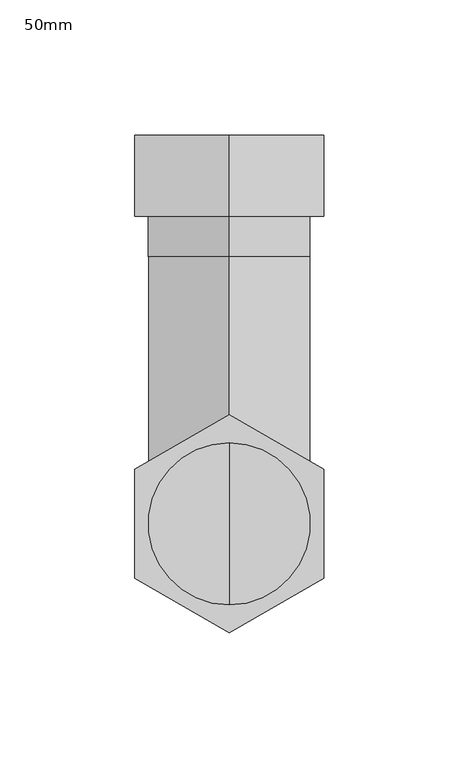
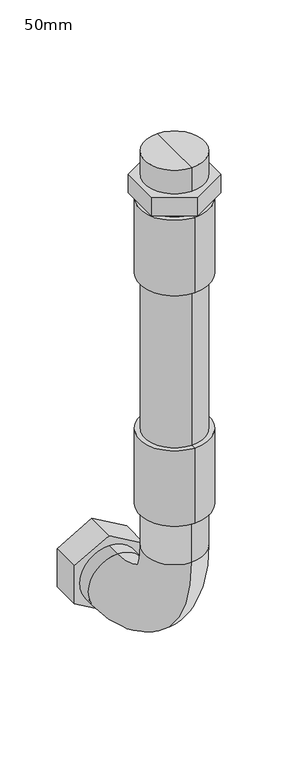
"""IFC4 building model written with IfcOpenShell, lengths in millimetres: proxy geometry, 50mm."""

import ifcopenshell
import ifcopenshell.guid

model = None  # the IFC model being written
_history = None  # IfcOwnerHistory: only IFC2X3 demands one
_inside = {}  # id of a spatial element -> (the spatial element, [elements in it])
_under = {}  # id of a project, library or spatial element -> (it, [spatial elements below it])
_declared = {}  # id of a project -> (the project, [libraries it declares])
_typed = {}  # id of a type object -> (the type object, [elements of that type])
_made_of = {}  # id of a material, layer set ... -> (it, [elements and type objects made of it])


def new_model(schema):
    """Start an empty IFC model of exactly this schema.

    Asked for "IFC4X3", IfcOpenShell would pick the latest addendum, in which some entities
    have other attributes; the version numbers below select the first issue.
    IFC2X3 requires an IfcOwnerHistory on every rooted entity: one is made here for all.
    """
    global model, _history
    if schema == "IFC4X3":
        model = ifcopenshell.file(schema_version=(4, 3, 0, 0))
    else:
        model = ifcopenshell.file(schema=schema)
    _inside.clear()
    _under.clear()
    _declared.clear()
    _typed.clear()
    _made_of.clear()
    _history = None
    if model.schema == "IFC2X3":
        org = make("IfcOrganization", Name="unknown")
        user = make(
            "IfcPersonAndOrganization",
            ThePerson=make("IfcPerson", FamilyName="unknown"),
            TheOrganization=org,
        )
        app = make(
            "IfcApplication",
            ApplicationDeveloper=org,
            Version="unknown",
            ApplicationFullName="unknown",
            ApplicationIdentifier="unknown",
        )
        _history = make(
            "IfcOwnerHistory",
            OwningUser=user,
            OwningApplication=app,
            ChangeAction="ADDED",
            CreationDate=0,
        )
    return model


def make(cls, **values):
    """One entity of the class cls with the attributes given. An attribute that is None is left unset."""
    return model.create_entity(
        cls, **{name: value for name, value in values.items() if value is not None}
    )


def rooted(cls, **values):
    """An entity with a GlobalId (a new one), such as an element, a storey or a relation."""
    return make(cls, GlobalId=ifcopenshell.guid.new(), OwnerHistory=_history, **values)


def si_unit(unit_type, name, prefix=None):
    """IfcSIUnit, for example si_unit("LENGTHUNIT", "METRE", prefix="MILLI")."""
    return make("IfcSIUnit", UnitType=unit_type, Prefix=prefix, Name=name)


def assignment(units):
    """IfcUnitAssignment: the units of a project."""
    return None if units is None else make("IfcUnitAssignment", Units=units)


def point(xyz):
    """IfcCartesianPoint."""
    return None if xyz is None else make("IfcCartesianPoint", Coordinates=xyz)


def direction(xyz):
    """IfcDirection."""
    return None if xyz is None else make("IfcDirection", DirectionRatios=xyz)


def frame(location, z_axis=None, x_axis=None):
    """IfcAxis2Placement3D, a coordinate frame: its origin and axes. An axis left out is left unset."""
    return make(
        "IfcAxis2Placement3D",
        Location=point(location),
        Axis=direction(z_axis),
        RefDirection=direction(x_axis),
    )


def origin():
    """The frame at (0, 0, 0) with its axes left unset."""
    return frame((0.0, 0.0, 0.0))


def place(relative_to, where):
    """IfcLocalPlacement: puts the frame where relative to a parent placement (None: the world)."""
    return make(
        "IfcLocalPlacement", PlacementRelTo=relative_to, RelativePlacement=where
    )


def context(
    kind, dimensions, precision=None, world=None, true_north=None, identifier=None
):
    """IfcGeometricRepresentationContext, for example the 3D "Model" context."""
    return make(
        "IfcGeometricRepresentationContext",
        ContextIdentifier=identifier,
        ContextType=kind,
        CoordinateSpaceDimension=dimensions,
        Precision=precision,
        WorldCoordinateSystem=world,
        TrueNorth=true_north,
    )


def project(units=None, contexts=None):
    """IfcProject with its units and contexts."""
    return rooted(
        "IfcProject",
        Name="project",
        RepresentationContexts=contexts,
        UnitsInContext=assignment(units),
    )


def spatial(cls, under=None, at=None, **own):
    """A site, building, storey or space (cls), placed at a placement, below another one or the project."""
    s = rooted(cls, ObjectPlacement=at, **own)
    if under is not None:
        _under.setdefault(under.id(), (under, []))[1].append(s)
    return s


def polyline(points):
    """IfcPolyline through the points."""
    return make("IfcPolyline", Points=[point(p) for p in points])


def circle_curve(where, radius):
    """IfcCircle in the frame where."""
    return make("IfcCircle", Position=where, Radius=radius)


def ellipse_curve(where, semi_axis1, semi_axis2):
    """IfcEllipse in the frame where."""
    return make(
        "IfcEllipse", Position=where, SemiAxis1=semi_axis1, SemiAxis2=semi_axis2
    )


def trimmed(basis, trim1, trim2, sense, master):
    """IfcTrimmedCurve: the piece of a basis curve between two trims."""
    return make(
        "IfcTrimmedCurve",
        BasisCurve=basis,
        Trim1=trim1,
        Trim2=trim2,
        SenseAgreement=sense,
        MasterRepresentation=master,
    )


def outline(outer, holes=None, kind="AREA"):
    """IfcArbitraryClosedProfileDef: a profile drawn as a closed curve; with holes, ...WithVoids."""
    if holes is None:
        return make("IfcArbitraryClosedProfileDef", ProfileType=kind, OuterCurve=outer)
    return make(
        "IfcArbitraryProfileDefWithVoids",
        ProfileType=kind,
        OuterCurve=outer,
        InnerCurves=holes,
    )


def extrude(swept, where, along, depth):
    """IfcExtrudedAreaSolid: the profile swept, set in the frame where, extruded along a direction by depth."""
    return make(
        "IfcExtrudedAreaSolid",
        SweptArea=swept,
        Position=where,
        ExtrudedDirection=direction(along),
        Depth=depth,
    )


def shape(context_of_items, identifier, shape_type, items):
    """IfcShapeRepresentation: the items that make up one representation, for example the "Body"."""
    return make(
        "IfcShapeRepresentation",
        ContextOfItems=context_of_items,
        RepresentationIdentifier=identifier,
        RepresentationType=shape_type,
        Items=items,
    )


def source(mapping_origin, context_of_items, identifier, shape_type, items):
    """IfcRepresentationMap: a shape defined once, which mapped items show again and again."""
    return make(
        "IfcRepresentationMap",
        MappingOrigin=mapping_origin,
        MappedRepresentation=shape(context_of_items, identifier, shape_type, items),
    )


def transform(
    local_origin,
    x_axis=None,
    y_axis=None,
    z_axis=None,
    scale=None,
    scale2=None,
    scale3=None,
    uniform=True,
):
    """IfcCartesianTransformationOperator3D, or its non-uniform kind. x_axis, y_axis, z_axis: its Axis1, 2, 3."""
    if uniform:
        return make(
            "IfcCartesianTransformationOperator3D",
            Axis1=direction(x_axis),
            Axis2=direction(y_axis),
            LocalOrigin=point(local_origin),
            Scale=scale,
            Axis3=direction(z_axis),
        )
    return make(
        "IfcCartesianTransformationOperator3DnonUniform",
        Axis1=direction(x_axis),
        Axis2=direction(y_axis),
        LocalOrigin=point(local_origin),
        Scale=scale,
        Axis3=direction(z_axis),
        Scale2=scale2,
        Scale3=scale3,
    )


def mapped(mapping_source, mapping_target):
    """IfcMappedItem: shows the shape of a source again, moved by a transform."""
    return make(
        "IfcMappedItem", MappingSource=mapping_source, MappingTarget=mapping_target
    )


def made_of(thing, what):
    """Note that an element or type object is made of a material, layer set ...; save() writes the relation."""
    if what is not None:
        _made_of.setdefault(what.id(), (what, []))[1].append(thing)
    return thing


def element(
    cls,
    number,
    at=None,
    inside=None,
    cuts=None,
    type_object=None,
    material=None,
    context=None,
    identifier="Body",
    shape_type=None,
    held_by="IfcProductDefinitionShape",
    body=None,
    shapes=None,
    **own,
):
    """One element of the class cls, such as IfcWall. Its Tag is "e" and its number.

    at: its placement. inside: the storey or other place that contains it. cuts: it is an
    opening in that element (IfcRelVoidsElement). A single representation is given by context,
    identifier, shape_type and body (its items); several are given by shapes. held_by: the class
    of the entity that holds the representations. save() writes the other relations.
    """
    e = rooted(cls, Tag="e%d" % number, ObjectPlacement=at, **own)
    if body is not None:
        shapes = [shape(context, identifier, shape_type, body)]
    if shapes is not None:
        e.Representation = make(held_by, Representations=shapes)
    if inside is not None:
        _inside.setdefault(inside.id(), (inside, []))[1].append(e)
    if cuts is not None:
        rooted(
            "IfcRelVoidsElement", RelatingBuildingElement=cuts, RelatedOpeningElement=e
        )
    if type_object is not None:
        _typed.setdefault(type_object.id(), (type_object, []))[1].append(e)
    return made_of(e, material)


def aggregate(whole, parts):
    """IfcRelAggregates: a whole, such as a stair, and the parts it consists of."""
    return rooted("IfcRelAggregates", RelatingObject=whole, RelatedObjects=parts)


def save(model, path):
    """Write the relations noted so far, then the file.

    IfcRelAggregates (storeys below a building ...), IfcRelContainedInSpatialStructure (elements
    in a storey), IfcRelDefinesByType, IfcRelAssociatesMaterial and IfcRelDeclares: one each for
    every whole, place, type object, material and project.
    """
    for whole, parts in _under.values():
        aggregate(whole, parts)
    for where, things in _inside.values():
        rooted(
            "IfcRelContainedInSpatialStructure",
            RelatedElements=things,
            RelatingStructure=where,
        )
    for kind, things in _typed.values():
        rooted("IfcRelDefinesByType", RelatedObjects=things, RelatingType=kind)
    for what, things in _made_of.values():
        rooted("IfcRelAssociatesMaterial", RelatedObjects=things, RelatingMaterial=what)
    for by, libraries in _declared.values():
        rooted("IfcRelDeclares", RelatingContext=by, RelatedDefinitions=libraries)
    model.write(path)


def plane_surface(at):
    """IfcPlane: the flat surface through the origin of the frame at, square to its z axis."""
    return make("IfcPlane", Position=at)


def cylinder_surface(at, radius):
    """IfcCylindricalSurface: all points at the distance radius from the z axis of the frame at."""
    return make("IfcCylindricalSurface", Position=at, Radius=radius)


def revolved_surface(curve, axis_point, axis_direction):
    """IfcSurfaceOfRevolution: the curve turned about the line through axis_point along axis_direction."""
    return make(
        "IfcSurfaceOfRevolution",
        SweptCurve=make("IfcArbitraryOpenProfileDef", ProfileType="CURVE", Curve=curve),
        AxisPosition=make("IfcAxis1Placement", Location=point(axis_point), Axis=direction(axis_direction)),
    )


def advanced_brep(points, edges, surfaces, faces):
    """IfcAdvancedBrep: a solid bounded by faces that lie on surfaces and meet in shared edges.

    An edge is (start, end): straight between two places in points (the first is 0);
    or (start, end, curve); or (start, end, curve, False) where it runs against its curve.
    A face is (place in surfaces, loops), or (place, loops, False) where it looks against
    its surface's normal. A loop lists edges by number (the first is 1), with a minus sign
    where the edge is run from its end to its start. The first loop is the outer one.
    """
    corners = [point(p) for p in points]
    vertices = [make("IfcVertexPoint", VertexGeometry=c) for c in corners]
    made = []
    for start, end, *more in edges:
        made.append(
            make(
                "IfcEdgeCurve",
                EdgeStart=vertices[start],
                EdgeEnd=vertices[end],
                EdgeGeometry=more[0] if more else make("IfcPolyline", Points=[corners[start], corners[end]]),
                SameSense=more[1] if len(more) > 1 else True,
            )
        )
    hull = []
    for where, loops, *sense in faces:
        bounds = []
        for j, loop in enumerate(loops):
            ring = [make("IfcOrientedEdge", EdgeElement=made[abs(k) - 1], Orientation=k > 0) for k in loop]
            bounds.append(
                make(
                    "IfcFaceOuterBound" if j == 0 else "IfcFaceBound",
                    Bound=make("IfcEdgeLoop", EdgeList=ring),
                    Orientation=True,
                )
            )
        hull.append(make("IfcAdvancedFace", Bounds=bounds, FaceSurface=surfaces[where], SameSense=sense[0] if sense else True))
    return make("IfcAdvancedBrep", Outer=make("IfcClosedShell", CfsFaces=hull))


def proxy_50mm_9fd1430d(model_context):
    return source(origin(), model_context, "Body", "SolidModel", [
        advanced_brep(
        [(0.0, -124.2, 390.0), (0.0, -94.2, 390.0), (0.0, -154.2, 390.0), (0.0, -154.2, 224.2), (0.0, -94.2, 224.2), (0.0, -124.2, 224.2)],
        [
            (0, 1),
            (1, 2, circle_curve(frame((0.0, -124.2, 390.0), z_axis=(0.0, 0.0, 1.0), x_axis=(0.0, 1.0, 0.0)), 30.0)),
            (2, 0),
            (2, 1, circle_curve(frame((0.0, -124.2, 390.0), z_axis=(0.0, 0.0, 1.0), x_axis=(0.0, 1.0, 0.0)), 30.0)),
            (3, 4, circle_curve(frame((0.0, -124.2, 224.2), z_axis=(0.0, 0.0, -1.0), x_axis=(0.0, 1.0, 0.0)), 30.0)),
            (4, 5),
            (5, 3),
            (4, 3, circle_curve(frame((0.0, -124.2, 224.2), z_axis=(0.0, 0.0, -1.0), x_axis=(0.0, 1.0, 0.0)), 30.0)),
            (1, 4),
            (3, 2),
        ],
        [
            plane_surface(frame((0.0, -124.2, 390.0), z_axis=(0.0, 0.0, 1.0), x_axis=(0.0, 1.0, 0.0))),
            plane_surface(frame((0.0, -124.2, 224.2), z_axis=(0.0, 0.0, -1.0), x_axis=(0.0, 1.0, 0.0))),
            cylinder_surface(frame((0.0, -124.2, -100.4854631), z_axis=(0.0, 0.0, 1.0), x_axis=(0.0, 1.0, 0.0)), 30.0),
        ],
        [
            (0, [[1, 2, 3]]),
            (0, [[-3, 4, -1]]),
            (1, [[5, 6, 7]]),
            (1, [[8, -7, -6]]),
            (2, [[-2, 9, -5, 10]]),
            (2, [[-4, -10, -8, -9]]),
        ],
    ),
        advanced_brep(
        [(0.0, -159.2, 390.0), (0.0, -89.2, 390.0), (0.0, -124.2, 390.0), (0.0, -159.2, 470.0), (0.0, -89.2, 470.0), (0.0, -124.2, 470.0)],
        [
            (0, 1, circle_curve(frame((0.0, -124.2, 390.0), z_axis=(0.0, 0.0, -1.0), x_axis=(0.0, 1.0, 0.0)), 35.0)),
            (1, 2),
            (2, 0),
            (1, 0, circle_curve(frame((0.0, -124.2, 390.0), z_axis=(0.0, 0.0, -1.0), x_axis=(0.0, 1.0, 0.0)), 35.0)),
            (3, 4, circle_curve(frame((0.0, -124.2, 470.0), z_axis=(0.0, 0.0, -1.0), x_axis=(0.0, 1.0, 0.0)), 35.0)),
            (4, 1),
            (0, 3),
            (4, 3, circle_curve(frame((0.0, -124.2, 470.0), z_axis=(0.0, 0.0, -1.0), x_axis=(0.0, 1.0, 0.0)), 35.0)),
            (5, 4),
            (3, 5),
        ],
        [
            plane_surface(frame((0.0, -124.2, 390.0), z_axis=(0.0, 0.0, -1.0), x_axis=(0.0, 1.0, 0.0))),
            cylinder_surface(frame((0.0, -124.2, -100.4854631), z_axis=(0.0, 0.0, 1.0), x_axis=(0.0, 1.0, 0.0)), 35.0),
            plane_surface(frame((0.0, -124.2, 470.0), z_axis=(0.0, 0.0, 1.0), x_axis=(0.0, 1.0, 0.0))),
        ],
        [
            (0, [[1, 2, 3]]),
            (0, [[4, -3, -2]]),
            (1, [[5, 6, -1, 7]]),
            (1, [[8, -7, -4, -6]]),
            (2, [[9, -5, 10]]),
            (2, [[-10, -8, -9]]),
        ],
    ),
        advanced_brep(
        [(0.0, -124.2, 224.2), (0.0, -89.2, 224.2), (0.0, -159.2, 224.2), (0.0, -159.2, 144.2), (0.0, -89.2, 144.2), (0.0, -124.2, 144.2)],
        [
            (0, 1),
            (1, 2, circle_curve(frame((0.0, -124.2, 224.2), z_axis=(0.0, 0.0, 1.0), x_axis=(0.0, 1.0, 0.0)), 35.0)),
            (2, 0),
            (2, 1, circle_curve(frame((0.0, -124.2, 224.2), z_axis=(0.0, 0.0, 1.0), x_axis=(0.0, 1.0, 0.0)), 35.0)),
            (3, 4, circle_curve(frame((0.0, -124.2, 144.2), z_axis=(0.0, 0.0, -1.0), x_axis=(0.0, 1.0, 0.0)), 35.0)),
            (4, 5),
            (5, 3),
            (4, 3, circle_curve(frame((0.0, -124.2, 144.2), z_axis=(0.0, 0.0, -1.0), x_axis=(0.0, 1.0, 0.0)), 35.0)),
            (1, 4),
            (3, 2),
        ],
        [
            plane_surface(frame((0.0, -124.2, 224.2), z_axis=(0.0, 0.0, 1.0), x_axis=(0.0, 1.0, 0.0))),
            plane_surface(frame((0.0, -124.2, 144.2), z_axis=(0.0, 0.0, -1.0), x_axis=(0.0, 1.0, 0.0))),
            cylinder_surface(frame((0.0, -124.2, -100.4854631), z_axis=(0.0, 0.0, 1.0), x_axis=(0.0, 1.0, 0.0)), 35.0),
        ],
        [
            (0, [[1, 2, 3]]),
            (0, [[-3, 4, -1]]),
            (1, [[5, 6, 7]]),
            (1, [[8, -7, -6]]),
            (2, [[-2, 9, -5, 10]]),
            (2, [[-4, -10, -8, -9]]),
        ],
    ),
        advanced_brep(
        [(0.0, -124.2, 520.0), (0.0, -94.2, 520.0), (0.0, -154.2, 520.0), (0.0, -154.2, 495.0), (0.0, -94.2, 495.0), (0.0, -124.2, 495.0)],
        [
            (0, 1),
            (1, 2, circle_curve(frame((0.0, -124.2, 520.0), z_axis=(0.0, 0.0, 1.0), x_axis=(0.0, 1.0, 0.0)), 30.0)),
            (2, 0),
            (2, 1, circle_curve(frame((0.0, -124.2, 520.0), z_axis=(0.0, 0.0, 1.0), x_axis=(0.0, 1.0, 0.0)), 30.0)),
            (3, 4, circle_curve(frame((0.0, -124.2, 495.0), z_axis=(0.0, 0.0, -1.0), x_axis=(0.0, 1.0, 0.0)), 30.0)),
            (4, 5),
            (5, 3),
            (4, 3, circle_curve(frame((0.0, -124.2, 495.0), z_axis=(0.0, 0.0, -1.0), x_axis=(0.0, 1.0, 0.0)), 30.0)),
            (1, 4),
            (3, 2),
        ],
        [
            plane_surface(frame((0.0, -124.2, 520.0), z_axis=(0.0, 0.0, 1.0), x_axis=(0.0, 1.0, 0.0))),
            plane_surface(frame((0.0, -124.2, 495.0), z_axis=(0.0, 0.0, -1.0), x_axis=(0.0, 1.0, 0.0))),
            cylinder_surface(frame((0.0, -124.2, -100.4854631), z_axis=(0.0, 0.0, 1.0), x_axis=(0.0, 1.0, 0.0)), 30.0),
        ],
        [
            (0, [[1, 2, 3]]),
            (0, [[-3, 4, -1]]),
            (1, [[5, 6, 7]]),
            (1, [[8, -7, -6]]),
            (2, [[-2, 9, -5, 10]]),
            (2, [[-4, -10, -8, -9]]),
        ],
    ),
        advanced_brep(
        [(0.0, -154.2, 470.0), (0.0, -94.2, 470.0), (0.0, -124.2, 470.0), (0.0, -154.2, 475.0), (0.0, -94.2, 475.0), (0.0, -124.2, 475.0)],
        [
            (0, 1, circle_curve(frame((0.0, -124.2, 470.0), z_axis=(0.0, 0.0, -1.0), x_axis=(0.0, 1.0, 0.0)), 30.0)),
            (1, 2),
            (2, 0),
            (1, 0, circle_curve(frame((0.0, -124.2, 470.0), z_axis=(0.0, 0.0, -1.0), x_axis=(0.0, 1.0, 0.0)), 30.0)),
            (3, 4, circle_curve(frame((0.0, -124.2, 475.0), z_axis=(0.0, 0.0, -1.0), x_axis=(0.0, 1.0, 0.0)), 30.0)),
            (4, 1),
            (0, 3),
            (4, 3, circle_curve(frame((0.0, -124.2, 475.0), z_axis=(0.0, 0.0, -1.0), x_axis=(0.0, 1.0, 0.0)), 30.0)),
            (5, 4),
            (3, 5),
        ],
        [
            plane_surface(frame((0.0, -124.2, 470.0), z_axis=(0.0, 0.0, -1.0), x_axis=(0.0, 1.0, 0.0))),
            cylinder_surface(frame((0.0, -124.2, -100.4854631), z_axis=(0.0, 0.0, 1.0), x_axis=(0.0, 1.0, 0.0)), 30.0),
            plane_surface(frame((0.0, -124.2, 475.0), z_axis=(0.0, 0.0, 1.0), x_axis=(0.0, 1.0, 0.0))),
        ],
        [
            (0, [[1, 2, 3]]),
            (0, [[4, -3, -2]]),
            (1, [[5, 6, -1, 7]]),
            (1, [[8, -7, -4, -6]]),
            (2, [[9, -5, 10]]),
            (2, [[-10, -8, -9]]),
        ],
    ),
        advanced_brep(
        [(-35.0, -10.0, 20.2072594), (-35.0, -10.0, -20.2072594), (0.0, -10.0, -40.4145188), (35.0, -10.0, -20.2072594), (35.0, -10.0, 20.2072594), (0.0, -10.0, 40.4145188), (-35.0, 20.0, 20.2072594), (0.0, 20.0, 40.4145188), (35.0, 20.0, 20.2072594), (35.0, 20.0, -20.2072594), (0.0, 20.0, -40.4145188), (-35.0, 20.0, -20.2072594), (0.0, 20.0, 30.0), (0.0, 20.0, -30.0), (0.0, 0.0, 0.0), (0.0, 0.0, -30.0), (0.0, 0.0, 30.0)],
        [
            (0, 1),
            (1, 2),
            (2, 3),
            (3, 4),
            (4, 5),
            (5, 0),
            (6, 7),
            (7, 8),
            (8, 9),
            (9, 10),
            (10, 11),
            (11, 6),
            (12, 13, circle_curve(frame((0.0, 20.0, 0.0), z_axis=(0.0, -1.0, 0.0), x_axis=(0.0, 0.0, 1.0)), 30.0)),
            (13, 12, circle_curve(frame((0.0, 20.0, 0.0), z_axis=(0.0, -1.0, 0.0), x_axis=(0.0, 0.0, 1.0)), 30.0)),
            (0, 6),
            (11, 1),
            (10, 2),
            (9, 3),
            (8, 4),
            (7, 5),
            (14, 15),
            (15, 16, circle_curve(frame((0.0, 0.0, 0.0), z_axis=(0.0, 1.0, 0.0), x_axis=(0.0, 0.0, 1.0)), 30.0)),
            (16, 14),
            (16, 15, circle_curve(frame((0.0, 0.0, 0.0), z_axis=(0.0, 1.0, 0.0), x_axis=(0.0, 0.0, 1.0)), 30.0)),
            (15, 13),
            (12, 16),
        ],
        [
            plane_surface(frame((-35.0, -10.0, -20.2072594), z_axis=(0.0, -1.0, 0.0), x_axis=(0.0, 0.0, -1.0))),
            plane_surface(frame((-35.0, 20.0, -20.2072594), z_axis=(0.0, 1.0, 0.0), x_axis=(0.0, 0.0, 1.0))),
            plane_surface(frame((-35.0, -10.0, 20.2072594), z_axis=(-1.0, 0.0, 0.0), x_axis=(0.0, 1.0, 0.0))),
            plane_surface(frame((-35.0, -10.0, -20.2072594), z_axis=(-0.5000000000000095, 0.0, -0.8660254037844332), x_axis=(0.0, 1.0, 0.0))),
            plane_surface(frame((0.0, -10.0, -40.4145188), z_axis=(0.49999999999999195, 0.0, -0.8660254037844433), x_axis=(0.0, 1.0, 0.0))),
            plane_surface(frame((35.0, -10.0, -20.2072594), z_axis=(1.0, 0.0, 0.0), x_axis=(0.0, 1.0, 0.0))),
            plane_surface(frame((35.0, -10.0, 20.2072594), z_axis=(0.5000000000000097, 0.0, 0.8660254037844332), x_axis=(0.0, 1.0, 0.0))),
            plane_surface(frame((0.0, -10.0, 40.4145188), z_axis=(-0.49999999999999195, 0.0, 0.8660254037844435), x_axis=(0.0, 1.0, 0.0))),
            plane_surface(frame((0.0, 0.0, 0.0), z_axis=(0.0, 1.0, 0.0), x_axis=(0.0, 0.0, 1.0))),
            revolved_surface(polyline([(0.0, 0.0, 30.0), (0.0, 20.0, 30.0)]), (0.0, 2097.4086068, 0.0), (0.0, -1.0, 0.0)),
        ],
        [
            (0, [[1, 2, 3, 4, 5, 6]]),
            (1, [[7, 8, 9, 10, 11, 12], [13, 14]]),
            (2, [[-1, 15, -12, 16]]),
            (3, [[-2, -16, -11, 17]]),
            (4, [[-3, -17, -10, 18]]),
            (5, [[-4, -18, -9, 19]]),
            (6, [[-5, -19, -8, 20]]),
            (7, [[-6, -20, -7, -15]]),
            (8, [[21, 22, 23]]),
            (8, [[-21, -23, 24]]),
            (9, [[-22, 25, -13, 26]]),
            (9, [[-24, -26, -14, -25]]),
        ],
    ),
        advanced_brep(
        [(0.0, -10.0, 30.0), (0.0, -10.0, -30.0), (0.0, -25.0, 30.0), (0.0, -25.0, -30.0), (0.0, -154.2, 99.2), (0.0, -94.2, 99.2), (0.0, -94.2, 144.2), (0.0, -154.2, 144.2)],
        [
            (0, 1, circle_curve(frame((0.0, -10.0, 0.0), z_axis=(0.0, 1.0, 0.0), x_axis=(0.0, 0.0, -1.0)), 30.0)),
            (1, 0, circle_curve(frame((0.0, -10.0, 0.0), z_axis=(0.0, 1.0, 0.0), x_axis=(0.0, 0.0, -1.0)), 30.0)),
            (0, 2),
            (2, 3, circle_curve(frame((0.0, -25.0, 0.0), z_axis=(0.0, 1.0, 0.0), x_axis=(0.0, 0.0, -1.0)), 30.0)),
            (3, 1),
            (3, 2, circle_curve(frame((0.0, -25.0, 0.0), z_axis=(0.0, 1.0, 0.0), x_axis=(0.0, 0.0, -1.0)), 30.0)),
            (4, 3, circle_curve(frame((0.0, -25.0, 99.2), z_axis=(1.0, 0.0, 0.0), x_axis=(0.0, 0.0, -1.0)), 129.2)),
            (2, 5, circle_curve(frame((0.0, -25.0, 99.2), z_axis=(-1.0, 0.0, 0.0), x_axis=(0.0, 0.0, -1.0)), 69.2)),
            (5, 4, circle_curve(frame((0.0, -124.2, 99.2), z_axis=(0.0, 0.0, -1.0), x_axis=(0.0, -1.0, 0.0)), 30.0)),
            (4, 5, circle_curve(frame((0.0, -124.2, 99.2), z_axis=(0.0, 0.0, -1.0), x_axis=(0.0, -1.0, 0.0)), 30.0)),
            (6, 7, circle_curve(frame((0.0, -124.2, 144.2), z_axis=(0.0, 0.0, 1.0), x_axis=(0.0, -1.0, 0.0)), 30.0)),
            (7, 6, circle_curve(frame((0.0, -124.2, 144.2), z_axis=(0.0, 0.0, 1.0), x_axis=(0.0, -1.0, 0.0)), 30.0)),
            (5, 6),
            (7, 4),
        ],
        [
            plane_surface(frame((0.0, -10.0, 0.0), z_axis=(0.0, 1.0, 0.0), x_axis=(1.0, 0.0, 0.0))),
            cylinder_surface(frame((0.0, -10.0, 0.0), z_axis=(0.0, 1.0, 0.0), x_axis=(0.0, 0.0, -1.0)), 30.0),
            revolved_surface(trimmed(ellipse_curve(frame((0.0, -25.0, 0.0), z_axis=(0.0, 1.0, 0.0), x_axis=(0.0, 0.0, -1.0)), 30.0, 30.0), [point((0.0, -25.0, 30.0))], [point((0.0, -25.0, -30.0))], True, "CARTESIAN"), (0.0, -25.0, 99.2), (-1.0, 0.0, 0.0)),
            revolved_surface(trimmed(ellipse_curve(frame((0.0, -25.0, 0.0), z_axis=(0.0, 1.0, 0.0), x_axis=(0.0, 0.0, -1.0)), 30.0, 30.0), [point((0.0, -25.0, -30.0))], [point((0.0, -25.0, 30.0))], True, "CARTESIAN"), (0.0, -25.0, 99.2), (-1.0, 0.0, 0.0)),
            plane_surface(frame((0.0, -124.2, 144.2), z_axis=(0.0, 0.0, 1.0), x_axis=(1.0, 0.0, 0.0))),
            cylinder_surface(frame((0.0, -124.2, 99.2), z_axis=(0.0, 0.0, -1.0), x_axis=(0.0, -1.0, 0.0)), 30.0),
        ],
        [
            (0, [[1, 2]]),
            (1, [[-1, 3, 4, 5]]),
            (1, [[-2, -5, 6, -3]]),
            (2, [[7, -4, 8, 9]]),
            (3, [[-8, -6, -7, 10]]),
            (4, [[11, 12]]),
            (5, [[-9, 13, -12, 14]]),
            (5, [[-10, -14, -11, -13]]),
        ],
    ),
        extrude(outline(polyline([(0.0, -164.6145188), (-35.0, -144.4072594), (-35.0, -103.9927406), (0.0, -83.7854812), (35.0, -103.9927406), (35.0, -144.4072594), (0.0, -164.6145188)])), frame((0.0, 0.0, 475.0), z_axis=(0.0, 0.0, 1.0), x_axis=(1.0, 0.0, 0.0)), (0.0, 0.0, 1.0), 20.0),
    ])


if __name__ == "__main__":
    model = new_model("IFC4")
    model_context = context("Model", 3, world=origin())
    ifc_project = project(units=[si_unit("LENGTHUNIT", "METRE", prefix="MILLI")], contexts=[model_context])
    site = spatial("IfcSite", under=ifc_project)
    building = spatial("IfcBuilding", under=site)
    placement = place(None, origin())
    proxy_50mm_shape = proxy_50mm_9fd1430d(model_context)
    element("IfcBuildingElementProxy", 1, Name="50mm", ObjectType="50mm", at=placement, inside=building, context=model_context, shape_type="MappedRepresentation", body=[
        mapped(proxy_50mm_shape, transform((0.0, 0.0, 0.0), x_axis=(1.0, 0.0, 0.0), y_axis=(0.0, 1.0, 0.0), z_axis=(0.0, 0.0, 1.0))),
    ])
    save(model, "model.ifc")
